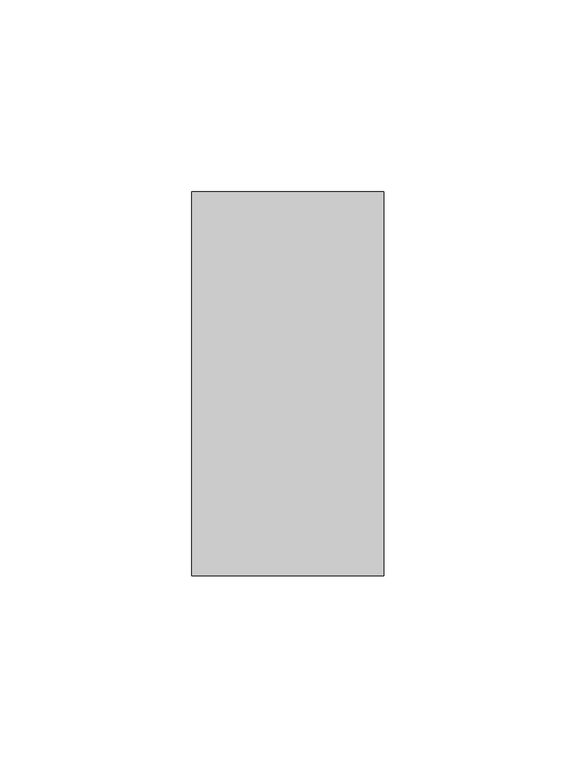
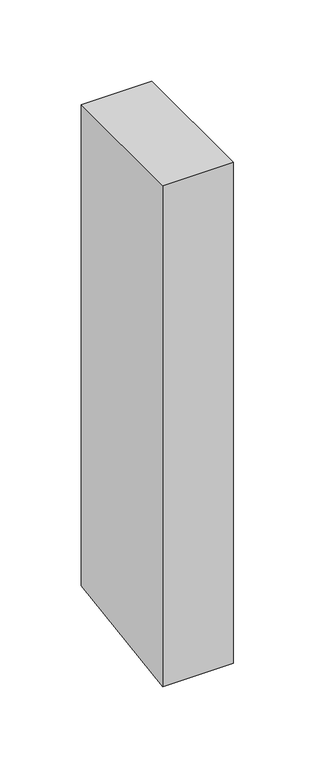
"""IFC4 building model written with IfcOpenShell, lengths in millimetres: member geometry."""

import ifcopenshell
import ifcopenshell.guid

model = None  # the IFC model being written
_history = None  # IfcOwnerHistory: only IFC2X3 demands one
_inside = {}  # id of a spatial element -> (the spatial element, [elements in it])
_under = {}  # id of a project, library or spatial element -> (it, [spatial elements below it])
_declared = {}  # id of a project -> (the project, [libraries it declares])
_typed = {}  # id of a type object -> (the type object, [elements of that type])
_made_of = {}  # id of a material, layer set ... -> (it, [elements and type objects made of it])


def new_model(schema):
    """Start an empty IFC model of exactly this schema.

    Asked for "IFC4X3", IfcOpenShell would pick the latest addendum, in which some entities
    have other attributes; the version numbers below select the first issue.
    IFC2X3 requires an IfcOwnerHistory on every rooted entity: one is made here for all.
    """
    global model, _history
    if schema == "IFC4X3":
        model = ifcopenshell.file(schema_version=(4, 3, 0, 0))
    else:
        model = ifcopenshell.file(schema=schema)
    _inside.clear()
    _under.clear()
    _declared.clear()
    _typed.clear()
    _made_of.clear()
    _history = None
    if model.schema == "IFC2X3":
        org = make("IfcOrganization", Name="unknown")
        user = make(
            "IfcPersonAndOrganization",
            ThePerson=make("IfcPerson", FamilyName="unknown"),
            TheOrganization=org,
        )
        app = make(
            "IfcApplication",
            ApplicationDeveloper=org,
            Version="unknown",
            ApplicationFullName="unknown",
            ApplicationIdentifier="unknown",
        )
        _history = make(
            "IfcOwnerHistory",
            OwningUser=user,
            OwningApplication=app,
            ChangeAction="ADDED",
            CreationDate=0,
        )
    return model


def make(cls, **values):
    """One entity of the class cls with the attributes given. An attribute that is None is left unset."""
    return model.create_entity(
        cls, **{name: value for name, value in values.items() if value is not None}
    )


def rooted(cls, **values):
    """An entity with a GlobalId (a new one), such as an element, a storey or a relation."""
    return make(cls, GlobalId=ifcopenshell.guid.new(), OwnerHistory=_history, **values)


def si_unit(unit_type, name, prefix=None):
    """IfcSIUnit, for example si_unit("LENGTHUNIT", "METRE", prefix="MILLI")."""
    return make("IfcSIUnit", UnitType=unit_type, Prefix=prefix, Name=name)


def assignment(units):
    """IfcUnitAssignment: the units of a project."""
    return None if units is None else make("IfcUnitAssignment", Units=units)


def point(xyz):
    """IfcCartesianPoint."""
    return None if xyz is None else make("IfcCartesianPoint", Coordinates=xyz)


def direction(xyz):
    """IfcDirection."""
    return None if xyz is None else make("IfcDirection", DirectionRatios=xyz)


def frame(location, z_axis=None, x_axis=None):
    """IfcAxis2Placement3D, a coordinate frame: its origin and axes. An axis left out is left unset."""
    return make(
        "IfcAxis2Placement3D",
        Location=point(location),
        Axis=direction(z_axis),
        RefDirection=direction(x_axis),
    )


def origin():
    """The frame at (0, 0, 0) with its axes left unset."""
    return frame((0.0, 0.0, 0.0))


def place(relative_to, where):
    """IfcLocalPlacement: puts the frame where relative to a parent placement (None: the world)."""
    return make(
        "IfcLocalPlacement", PlacementRelTo=relative_to, RelativePlacement=where
    )


def context(
    kind, dimensions, precision=None, world=None, true_north=None, identifier=None
):
    """IfcGeometricRepresentationContext, for example the 3D "Model" context."""
    return make(
        "IfcGeometricRepresentationContext",
        ContextIdentifier=identifier,
        ContextType=kind,
        CoordinateSpaceDimension=dimensions,
        Precision=precision,
        WorldCoordinateSystem=world,
        TrueNorth=true_north,
    )


def project(units=None, contexts=None):
    """IfcProject with its units and contexts."""
    return rooted(
        "IfcProject",
        Name="project",
        RepresentationContexts=contexts,
        UnitsInContext=assignment(units),
    )


def spatial(cls, under=None, at=None, **own):
    """A site, building, storey or space (cls), placed at a placement, below another one or the project."""
    s = rooted(cls, ObjectPlacement=at, **own)
    if under is not None:
        _under.setdefault(under.id(), (under, []))[1].append(s)
    return s


def polyline(points):
    """IfcPolyline through the points."""
    return make("IfcPolyline", Points=[point(p) for p in points])


def outline(outer, holes=None, kind="AREA"):
    """IfcArbitraryClosedProfileDef: a profile drawn as a closed curve; with holes, ...WithVoids."""
    if holes is None:
        return make("IfcArbitraryClosedProfileDef", ProfileType=kind, OuterCurve=outer)
    return make(
        "IfcArbitraryProfileDefWithVoids",
        ProfileType=kind,
        OuterCurve=outer,
        InnerCurves=holes,
    )


def extrude(swept, where, along, depth):
    """IfcExtrudedAreaSolid: the profile swept, set in the frame where, extruded along a direction by depth."""
    return make(
        "IfcExtrudedAreaSolid",
        SweptArea=swept,
        Position=where,
        ExtrudedDirection=direction(along),
        Depth=depth,
    )


def shape(context_of_items, identifier, shape_type, items):
    """IfcShapeRepresentation: the items that make up one representation, for example the "Body"."""
    return make(
        "IfcShapeRepresentation",
        ContextOfItems=context_of_items,
        RepresentationIdentifier=identifier,
        RepresentationType=shape_type,
        Items=items,
    )


def source(mapping_origin, context_of_items, identifier, shape_type, items):
    """IfcRepresentationMap: a shape defined once, which mapped items show again and again."""
    return make(
        "IfcRepresentationMap",
        MappingOrigin=mapping_origin,
        MappedRepresentation=shape(context_of_items, identifier, shape_type, items),
    )


def transform(
    local_origin,
    x_axis=None,
    y_axis=None,
    z_axis=None,
    scale=None,
    scale2=None,
    scale3=None,
    uniform=True,
):
    """IfcCartesianTransformationOperator3D, or its non-uniform kind. x_axis, y_axis, z_axis: its Axis1, 2, 3."""
    if uniform:
        return make(
            "IfcCartesianTransformationOperator3D",
            Axis1=direction(x_axis),
            Axis2=direction(y_axis),
            LocalOrigin=point(local_origin),
            Scale=scale,
            Axis3=direction(z_axis),
        )
    return make(
        "IfcCartesianTransformationOperator3DnonUniform",
        Axis1=direction(x_axis),
        Axis2=direction(y_axis),
        LocalOrigin=point(local_origin),
        Scale=scale,
        Axis3=direction(z_axis),
        Scale2=scale2,
        Scale3=scale3,
    )


def mapped(mapping_source, mapping_target):
    """IfcMappedItem: shows the shape of a source again, moved by a transform."""
    return make(
        "IfcMappedItem", MappingSource=mapping_source, MappingTarget=mapping_target
    )


def made_of(thing, what):
    """Note that an element or type object is made of a material, layer set ...; save() writes the relation."""
    if what is not None:
        _made_of.setdefault(what.id(), (what, []))[1].append(thing)
    return thing


def element(
    cls,
    number,
    at=None,
    inside=None,
    cuts=None,
    type_object=None,
    material=None,
    context=None,
    identifier="Body",
    shape_type=None,
    held_by="IfcProductDefinitionShape",
    body=None,
    shapes=None,
    **own,
):
    """One element of the class cls, such as IfcWall. Its Tag is "e" and its number.

    at: its placement. inside: the storey or other place that contains it. cuts: it is an
    opening in that element (IfcRelVoidsElement). A single representation is given by context,
    identifier, shape_type and body (its items); several are given by shapes. held_by: the class
    of the entity that holds the representations. save() writes the other relations.
    """
    e = rooted(cls, Tag="e%d" % number, ObjectPlacement=at, **own)
    if body is not None:
        shapes = [shape(context, identifier, shape_type, body)]
    if shapes is not None:
        e.Representation = make(held_by, Representations=shapes)
    if inside is not None:
        _inside.setdefault(inside.id(), (inside, []))[1].append(e)
    if cuts is not None:
        rooted(
            "IfcRelVoidsElement", RelatingBuildingElement=cuts, RelatedOpeningElement=e
        )
    if type_object is not None:
        _typed.setdefault(type_object.id(), (type_object, []))[1].append(e)
    return made_of(e, material)


def aggregate(whole, parts):
    """IfcRelAggregates: a whole, such as a stair, and the parts it consists of."""
    return rooted("IfcRelAggregates", RelatingObject=whole, RelatedObjects=parts)


def save(model, path):
    """Write the relations noted so far, then the file.

    IfcRelAggregates (storeys below a building ...), IfcRelContainedInSpatialStructure (elements
    in a storey), IfcRelDefinesByType, IfcRelAssociatesMaterial and IfcRelDeclares: one each for
    every whole, place, type object, material and project.
    """
    for whole, parts in _under.values():
        aggregate(whole, parts)
    for where, things in _inside.values():
        rooted(
            "IfcRelContainedInSpatialStructure",
            RelatedElements=things,
            RelatingStructure=where,
        )
    for kind, things in _typed.values():
        rooted("IfcRelDefinesByType", RelatedObjects=things, RelatingType=kind)
    for what, things in _made_of.values():
        rooted("IfcRelAssociatesMaterial", RelatedObjects=things, RelatingMaterial=what)
    for by, libraries in _declared.values():
        rooted("IfcRelDeclares", RelatingContext=by, RelatedDefinitions=libraries)
    model.write(path)


def member_befb7fb8(model_context):
    return source(origin(), model_context, "Body", "SweptSolid", [
        extrude(outline(polyline([(-50.0, 0.0), (50.0, 0.0), (50.0, -360.9998539), (-50.0, -375.945804), (-50.0, 0.0)])), frame((-50.0, 0.0, 0.0), z_axis=(1.0, 0.0, 0.0), x_axis=(0.0, 1.0, 0.0)), (0.0, 0.0, 1.0), 50.0),
    ])


if __name__ == "__main__":
    model = new_model("IFC4")
    model_context = context("Model", 3, world=origin())
    ifc_project = project(units=[si_unit("LENGTHUNIT", "METRE", prefix="MILLI")], contexts=[model_context])
    site = spatial("IfcSite", under=ifc_project)
    building = spatial("IfcBuilding", under=site)
    placement = place(None, origin())
    member_shape = member_befb7fb8(model_context)
    element("IfcMember", 1, at=placement, inside=building, context=model_context, shape_type="MappedRepresentation", body=[
        mapped(member_shape, transform((0.0, 0.0, 0.0), x_axis=(1.0, 0.0, 0.0), y_axis=(0.0, 1.0, 0.0), z_axis=(0.0, 0.0, 1.0))),
    ])
    save(model, "model.ifc")
